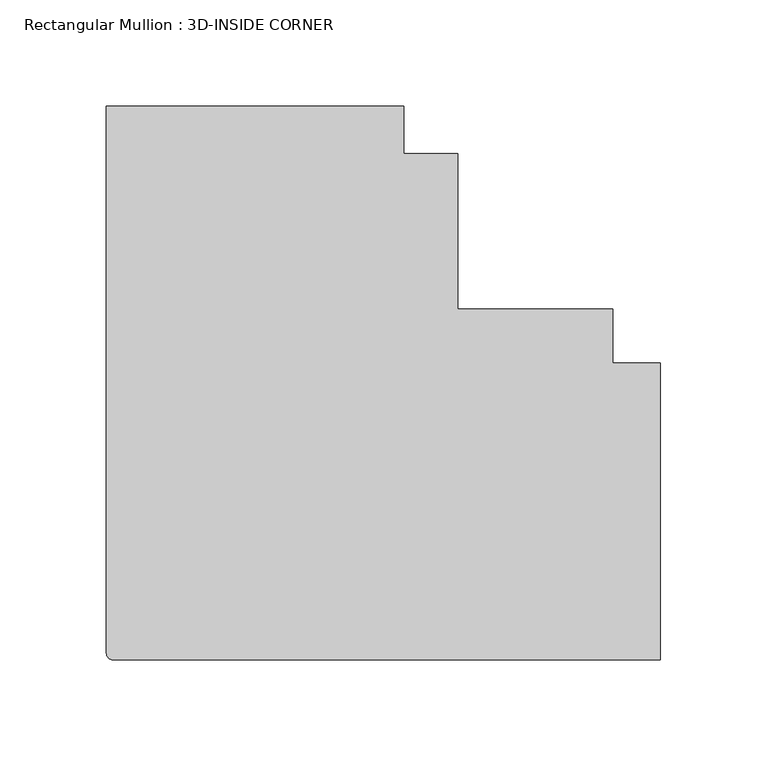
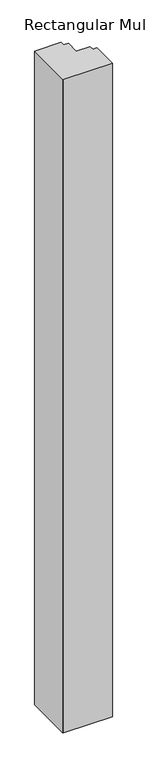
"""IFC4 building model written with IfcOpenShell, lengths in millimetres: member geometry, Rectangular Mullion : 3D-INSIDE CORNER."""

from ifc_helpers import new_model, si_unit, point, frame, frame_2d, origin, place, context, project, spatial, polyline, circle_curve, trimmed, segment, composite_curve, outline, extrude, source, transform, mapped, element, save


def rectangular_mullion_3d_inside_corner_4c63f8a4(model_context):
    return source(origin(), model_context, "Body", "SweptSolid", [
        extrude(outline(composite_curve([segment(trimmed(circle_curve(frame_2d((-257.175, -164.4054688)), 3.175), [point((-257.175, -167.5804688))], [point((-260.35, -164.4054688))], False, "CARTESIAN"), True, "CONTINUOUS"), segment(polyline([(-260.35, -164.4054688), (-260.35, 92.7695312), (-120.6499944, 92.7695312), (-120.6499944, 70.5446444), (-95.25, 70.5446444), (-95.25, -2.4804687), (-22.2248868, -2.4804688), (-22.2248868, -27.8804632), (0.0, -27.8804632), (0.0, -167.5804688), (-257.175, -167.5804688)]), True, "CONTINUOUS")], self_intersect=False)), frame((0.0, 0.0, -3657.6), z_axis=(0.0, 0.0, 1.0), x_axis=(1.0, 0.0, 0.0)), (0.0, 0.0, 1.0), 3657.6),
    ])


if __name__ == "__main__":
    model = new_model("IFC4")
    model_context = context("Model", 3, world=origin())
    ifc_project = project(units=[si_unit("LENGTHUNIT", "METRE", prefix="MILLI")], contexts=[model_context])
    site = spatial("IfcSite", under=ifc_project)
    building = spatial("IfcBuilding", under=site)
    placement = place(None, origin())
    rectangular_mullion_3d_inside_corner_shape = rectangular_mullion_3d_inside_corner_4c63f8a4(model_context)
    element("IfcMember", 1, ObjectType="Rectangular Mullion : 3D-INSIDE CORNER", at=placement, inside=building, context=model_context, shape_type="MappedRepresentation", body=[
        mapped(rectangular_mullion_3d_inside_corner_shape, transform((0.0, 0.0, 0.0), x_axis=(1.0, 0.0, 0.0), y_axis=(0.0, 1.0, 0.0), z_axis=(0.0, 0.0, 1.0))),
    ])
    save(model, "model.ifc")
